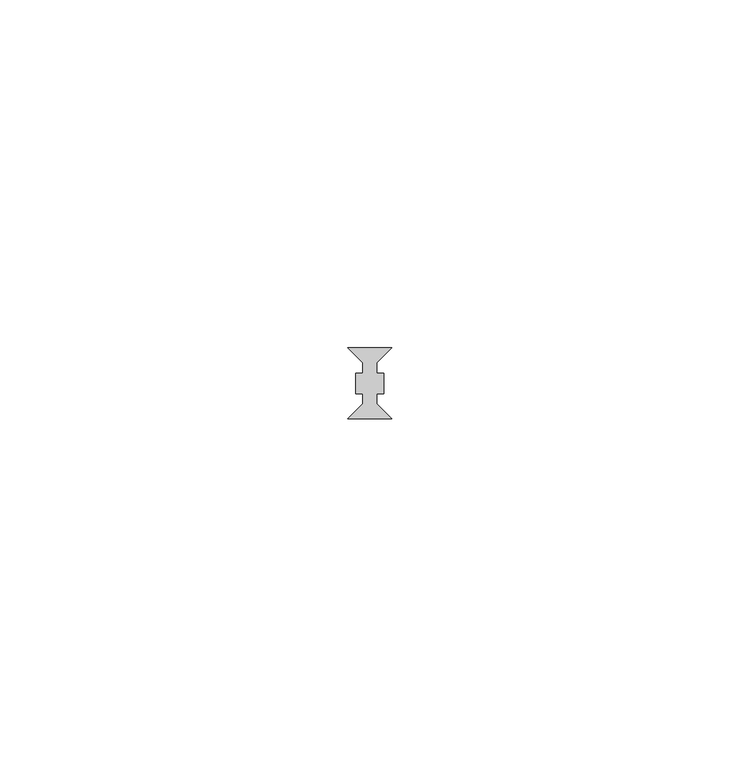
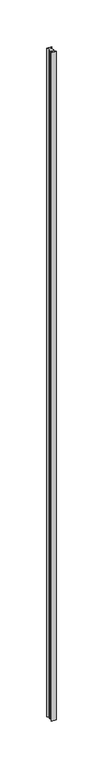
"""IFC4 building model written with IfcOpenShell, lengths in millimetres: member geometry."""

from ifc_helpers import new_model, si_unit, frame, origin, place, context, project, spatial, polyline, outline, extrude, source, transform, mapped, element, save


def member_ad6f26ce(model_context):
    return source(origin(), model_context, "Body", "SweptSolid", [
        extrude(outline(polyline([(3.15, 5.1), (1.0, 2.95), (1.0, 1.5), (2.0, 1.5), (2.0, -1.5), (1.0, -1.5), (1.0, -2.95), (3.15, -5.1), (-3.15, -5.1), (-1.0, -2.95), (-1.0, -1.5), (-2.0, -1.5), (-2.0, 0.2127369), (-2.0, 1.5), (-1.0, 1.5), (-1.0, 2.95), (-3.15, 5.1), (3.15, 5.1)])), frame((0.0, 0.0, -876.0), z_axis=(0.0, 0.0, 1.0), x_axis=(1.0, 0.0, 0.0)), (0.0, 0.0, 1.0), 876.0),
    ])


if __name__ == "__main__":
    model = new_model("IFC4")
    model_context = context("Model", 3, world=origin())
    ifc_project = project(units=[si_unit("LENGTHUNIT", "METRE", prefix="MILLI")], contexts=[model_context])
    site = spatial("IfcSite", under=ifc_project)
    building = spatial("IfcBuilding", under=site)
    placement = place(None, origin())
    member_shape = member_ad6f26ce(model_context)
    element("IfcMember", 1, at=placement, inside=building, context=model_context, shape_type="MappedRepresentation", body=[
        mapped(member_shape, transform((0.0, 0.0, 0.0), x_axis=(1.0, 0.0, 0.0), y_axis=(0.0, 1.0, 0.0), z_axis=(0.0, 0.0, 1.0))),
    ])
    save(model, "model.ifc")
